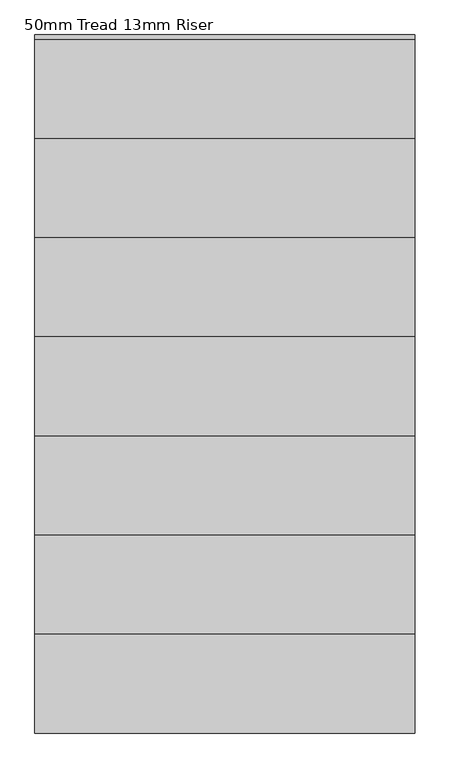
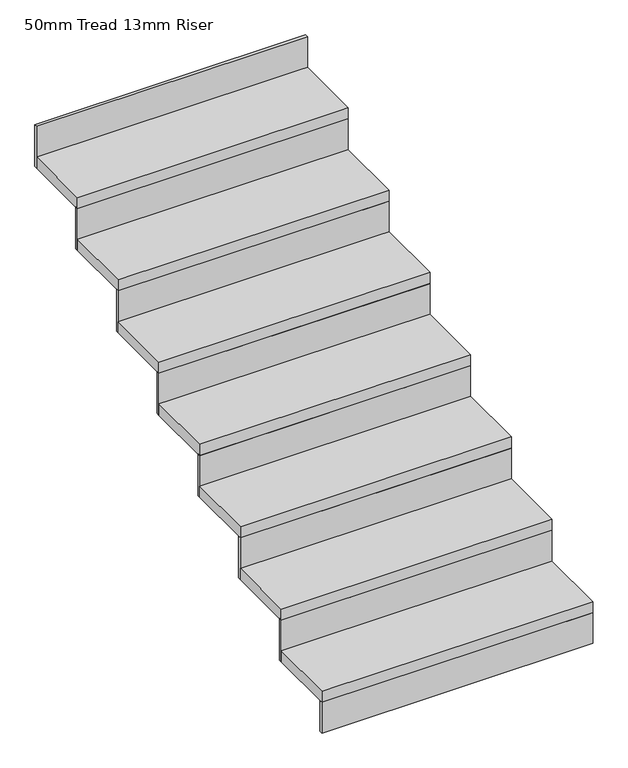
"""IFC4 building model written with IfcOpenShell, lengths in millimetres: stair flight geometry, 50mm Tread 13mm Riser."""

from ifc_helpers import new_model, si_unit, frame, origin, place, context, project, spatial, polyline, outline, extrude, source, transform, mapped, element, save


def stair_flight_50mm_tread_13mm_riser_87ed6b92(model_context):
    return source(origin(), model_context, "Body", "SweptSolid", [
        extrude(outline(polyline([(1534.355623, -11459.865151), (1534.355623, -11472.365151), (383.6347234, -11472.365151), (383.6347234, -11459.865151), (1534.355623, -11459.865151)])), frame((0.0, 0.0, 12000.0), z_axis=(0.0, 0.0, 1.0), x_axis=(1.0, 0.0, 0.0)), (0.0, 0.0, 1.0), 137.5),
        extrude(outline(polyline([(383.6347234, -11172.365151), (1534.355623, -11172.365151), (1534.355623, -11472.365151), (383.6347234, -11472.365151), (383.6347234, -11172.365151)])), frame((0.0, 0.0, 12137.5), z_axis=(0.0, 0.0, 1.0), x_axis=(1.0, 0.0, 0.0)), (0.0, 0.0, 1.0), 50.0),
        extrude(outline(polyline([(1534.355623, -11159.865151), (1534.355623, -11172.365151), (383.6347234, -11172.365151), (383.6347234, -11159.865151), (1534.355623, -11159.865151)])), frame((0.0, 0.0, 12137.5), z_axis=(0.0, 0.0, 1.0), x_axis=(1.0, 0.0, 0.0)), (0.0, 0.0, 1.0), 187.5),
        extrude(outline(polyline([(383.6347234, -10872.365151), (1534.355623, -10872.365151), (1534.355623, -11172.365151), (383.6347234, -11172.365151), (383.6347234, -10872.365151)])), frame((0.0, 0.0, 12325.0), z_axis=(0.0, 0.0, 1.0), x_axis=(1.0, 0.0, 0.0)), (0.0, 0.0, 1.0), 50.0),
        extrude(outline(polyline([(1534.355623, -10859.865151), (1534.355623, -10872.365151), (383.6347234, -10872.365151), (383.6347234, -10859.865151), (1534.355623, -10859.865151)])), frame((0.0, 0.0, 12325.0), z_axis=(0.0, 0.0, 1.0), x_axis=(1.0, 0.0, 0.0)), (0.0, 0.0, 1.0), 187.5),
        extrude(outline(polyline([(383.6347234, -10572.365151), (1534.355623, -10572.365151), (1534.355623, -10872.365151), (383.6347234, -10872.365151), (383.6347234, -10572.365151)])), frame((0.0, 0.0, 12512.5), z_axis=(0.0, 0.0, 1.0), x_axis=(1.0, 0.0, 0.0)), (0.0, 0.0, 1.0), 50.0),
        extrude(outline(polyline([(1534.355623, -10559.865151), (1534.355623, -10572.365151), (383.6347234, -10572.365151), (383.6347234, -10559.865151), (1534.355623, -10559.865151)])), frame((0.0, 0.0, 12512.5), z_axis=(0.0, 0.0, 1.0), x_axis=(1.0, 0.0, 0.0)), (0.0, 0.0, 1.0), 187.5),
        extrude(outline(polyline([(383.6347234, -10272.365151), (1534.355623, -10272.365151), (1534.355623, -10572.365151), (383.6347234, -10572.365151), (383.6347234, -10272.365151)])), frame((0.0, 0.0, 12700.0), z_axis=(0.0, 0.0, 1.0), x_axis=(1.0, 0.0, 0.0)), (0.0, 0.0, 1.0), 50.0),
        extrude(outline(polyline([(1534.355623, -10259.865151), (1534.355623, -10272.365151), (383.6347234, -10272.365151), (383.6347234, -10259.865151), (1534.355623, -10259.865151)])), frame((0.0, 0.0, 12700.0), z_axis=(0.0, 0.0, 1.0), x_axis=(1.0, 0.0, 0.0)), (0.0, 0.0, 1.0), 187.5),
        extrude(outline(polyline([(383.6347234, -9972.365151), (1534.355623, -9972.365151), (1534.355623, -10272.365151), (383.6347234, -10272.365151), (383.6347234, -9972.365151)])), frame((0.0, 0.0, 12887.5), z_axis=(0.0, 0.0, 1.0), x_axis=(1.0, 0.0, 0.0)), (0.0, 0.0, 1.0), 50.0),
        extrude(outline(polyline([(1534.355623, -9959.865151), (1534.355623, -9972.365151), (383.6347234, -9972.365151), (383.6347234, -9959.865151), (1534.355623, -9959.865151)])), frame((0.0, 0.0, 12887.5), z_axis=(0.0, 0.0, 1.0), x_axis=(1.0, 0.0, 0.0)), (0.0, 0.0, 1.0), 187.5),
        extrude(outline(polyline([(383.6347234, -9672.365151), (1534.355623, -9672.365151), (1534.355623, -9972.365151), (383.6347234, -9972.365151), (383.6347234, -9672.365151)])), frame((0.0, 0.0, 13075.0), z_axis=(0.0, 0.0, 1.0), x_axis=(1.0, 0.0, 0.0)), (0.0, 0.0, 1.0), 50.0),
        extrude(outline(polyline([(1534.355623, -9659.865151), (1534.355623, -9672.365151), (383.6347234, -9672.365151), (383.6347234, -9659.865151), (1534.355623, -9659.865151)])), frame((0.0, 0.0, 13075.0), z_axis=(0.0, 0.0, 1.0), x_axis=(1.0, 0.0, 0.0)), (0.0, 0.0, 1.0), 187.5),
        extrude(outline(polyline([(1534.355623, -9359.865151), (1534.355623, -9372.365151), (383.6347234, -9372.365151), (383.6347234, -9359.865151), (1534.355623, -9359.865151)])), frame((0.0, 0.0, 13262.5), z_axis=(0.0, 0.0, 1.0), x_axis=(1.0, 0.0, 0.0)), (0.0, 0.0, 1.0), 187.5),
        extrude(outline(polyline([(383.6347234, -9372.365151), (1534.355623, -9372.365151), (1534.355623, -9672.365151), (383.6347234, -9672.365151), (383.6347234, -9372.365151)])), frame((0.0, 0.0, 13262.5), z_axis=(0.0, 0.0, 1.0), x_axis=(1.0, 0.0, 0.0)), (0.0, 0.0, 1.0), 50.0),
    ])


if __name__ == "__main__":
    model = new_model("IFC4")
    model_context = context("Model", 3, world=origin())
    ifc_project = project(units=[si_unit("LENGTHUNIT", "METRE", prefix="MILLI")], contexts=[model_context])
    site = spatial("IfcSite", under=ifc_project)
    building = spatial("IfcBuilding", under=site)
    placement = place(None, origin())
    stair_flight_50mm_tread_13mm_riser_shape = stair_flight_50mm_tread_13mm_riser_87ed6b92(model_context)
    element("IfcStairFlight", 1, ObjectType="50mm Tread 13mm Riser", at=placement, inside=building, context=model_context, shape_type="MappedRepresentation", body=[
        mapped(stair_flight_50mm_tread_13mm_riser_shape, transform((0.0, 0.0, 0.0), x_axis=(1.0, 0.0, 0.0), y_axis=(0.0, 1.0, 0.0), z_axis=(0.0, 0.0, 1.0))),
    ])
    save(model, "model.ifc")
